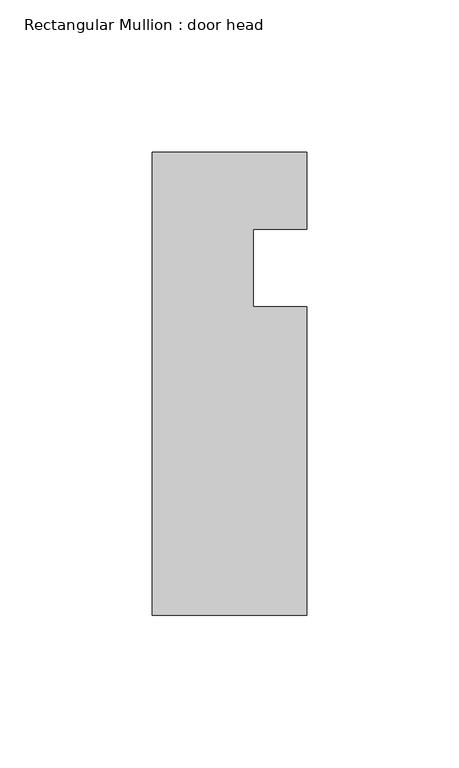
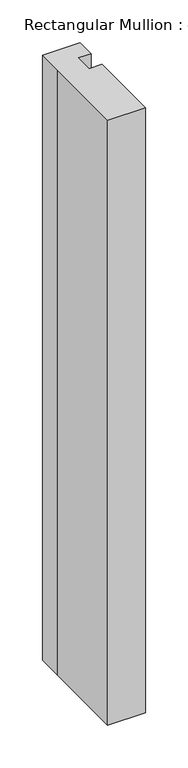
"""IFC4 building model written with IfcOpenShell, lengths in millimetres: member geometry, Rectangular Mullion : door head."""

from ifc_helpers import new_model, si_unit, frame, origin, place, context, project, spatial, polyline, outline, extrude, source, transform, mapped, element, save


def rectangular_mullion_door_head_73920b2a(model_context):
    return source(origin(), model_context, "Body", "SweptSolid", [
        extrude(outline(polyline([(25.4, -146.05), (-25.4, -146.05), (-25.4, -27.6174714), (-25.4, 6.35), (25.4, 6.35), (25.4, -19.05), (7.9502, -19.05), (7.9502, -44.45), (25.4, -44.45), (25.4, -146.05)])), frame((0.0, 0.0, -863.6), z_axis=(0.0, 0.0, 1.0), x_axis=(1.0, 0.0, 0.0)), (0.0, 0.0, 1.0), 863.6),
    ])


if __name__ == "__main__":
    model = new_model("IFC4")
    model_context = context("Model", 3, world=origin())
    ifc_project = project(units=[si_unit("LENGTHUNIT", "METRE", prefix="MILLI")], contexts=[model_context])
    site = spatial("IfcSite", under=ifc_project)
    building = spatial("IfcBuilding", under=site)
    placement = place(None, origin())
    rectangular_mullion_door_head_shape = rectangular_mullion_door_head_73920b2a(model_context)
    element("IfcMember", 1, ObjectType="Rectangular Mullion : door head", at=placement, inside=building, context=model_context, shape_type="MappedRepresentation", body=[
        mapped(rectangular_mullion_door_head_shape, transform((0.0, 0.0, 0.0), x_axis=(1.0, 0.0, 0.0), y_axis=(0.0, 1.0, 0.0), z_axis=(0.0, 0.0, 1.0))),
    ])
    save(model, "model.ifc")
